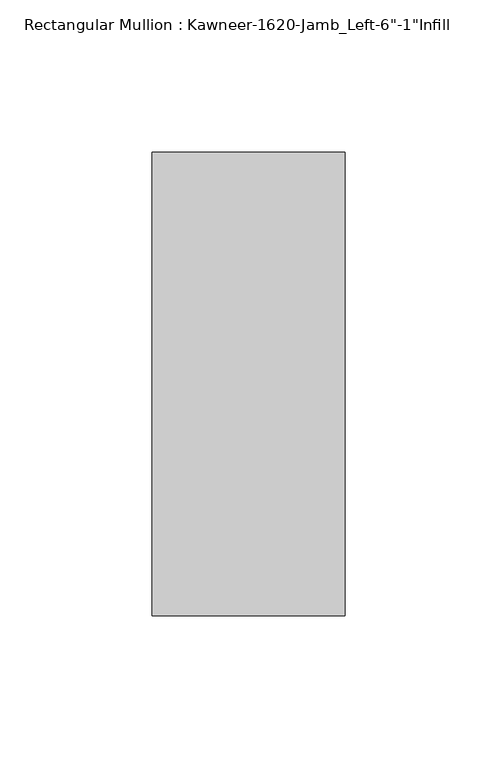
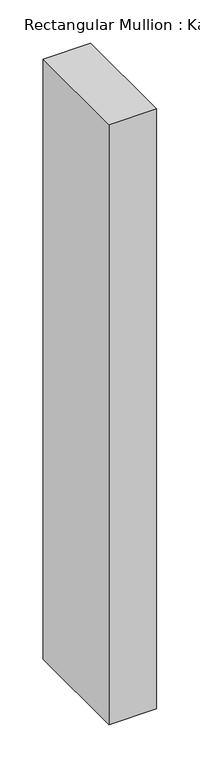
"""IFC4 building model written with IfcOpenShell, lengths in millimetres: member geometry."""

from ifc_helpers import new_model, si_unit, frame, origin, place, context, project, spatial, polyline, outline, extrude, source, transform, mapped, element, save


def member_9328ed17(model_context):
    return source(origin(), model_context, "Body", "SweptSolid", [
        extrude(outline(polyline([(-63.5, 38.1), (0.0, 38.1), (0.0, -114.3), (-63.5, -114.3), (-63.5, 38.1)])), frame((0.0, 0.0, -846.1375), z_axis=(0.0, 0.0, 1.0), x_axis=(1.0, 0.0, 0.0)), (0.0, 0.0, 1.0), 846.1375),
    ])


if __name__ == "__main__":
    model = new_model("IFC4")
    model_context = context("Model", 3, world=origin())
    ifc_project = project(units=[si_unit("LENGTHUNIT", "METRE", prefix="MILLI")], contexts=[model_context])
    site = spatial("IfcSite", under=ifc_project)
    building = spatial("IfcBuilding", under=site)
    placement = place(None, origin())
    member_shape = member_9328ed17(model_context)
    element("IfcMember", 1, ObjectType="Rectangular Mullion : Kawneer-1620-Jamb_Left-6\"-1\"Infill", at=placement, inside=building, context=model_context, shape_type="MappedRepresentation", body=[
        mapped(member_shape, transform((0.0, 0.0, 0.0), x_axis=(1.0, 0.0, 0.0), y_axis=(0.0, 1.0, 0.0), z_axis=(0.0, 0.0, 1.0))),
    ])
    save(model, "model.ifc")
